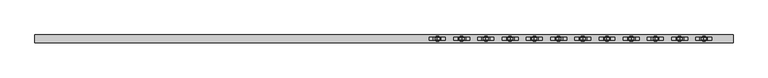
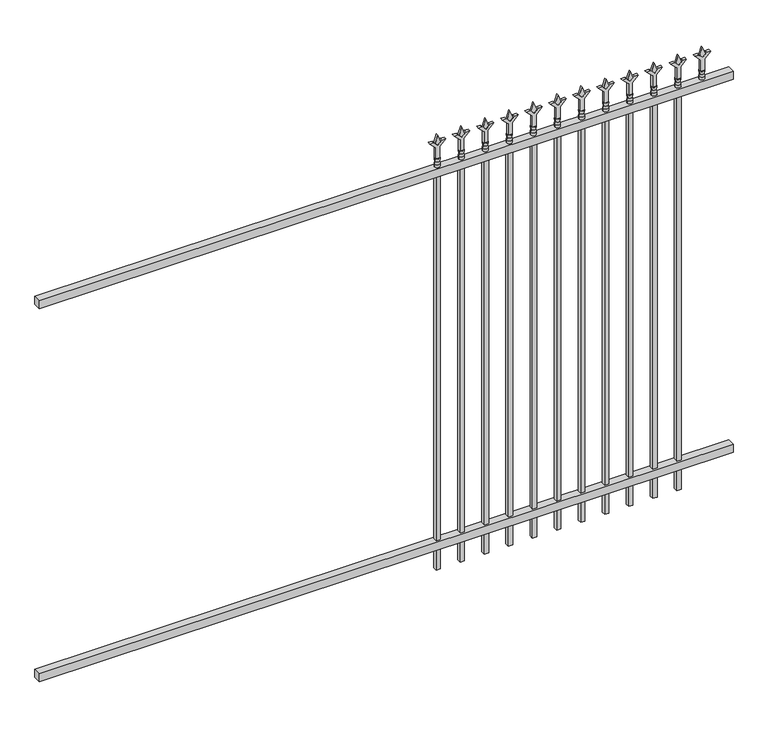
"""IFC4 building model written with IfcOpenShell, lengths in millimetres: railing geometry."""

from ifc_helpers import new_model, si_unit, frame, origin, place, context, project, spatial, polyline, circle_curve, outline, extrude, source, transform, mapped, element, save
from ifc_brep_helpers import plane_surface, cylinder_surface, revolved_surface, advanced_brep


def railing_23d3296c(model_context):
    return source(origin(), model_context, "Body", "SolidModel", [
        extrude(outline(polyline([(-61345.318087, 5443.2804826), (-61345.318087, 5478.2054826), (-58195.718087, 5478.2054826), (-58195.718087, 5443.2804826), (-61345.318087, 5443.2804826)])), frame((0.0, 0.0, 1943.1), z_axis=(0.0, 0.0, 1.0), x_axis=(1.0, 0.0, 0.0)), (0.0, 0.0, 1.0), 38.1),
        extrude(outline(polyline([(-61345.318087, 5443.2804826), (-61345.318087, 5478.2054826), (-58195.718087, 5478.2054826), (-58195.718087, 5443.2804826), (-61345.318087, 5443.2804826)])), frame((0.0, 0.0, 152.4), z_axis=(0.0, 0.0, 1.0), x_axis=(1.0, 0.0, 0.0)), (0.0, 0.0, 1.0), 38.1),
        extrude(outline(polyline([(2097.88125, -58424.8472536), (2133.6, -58436.7535036), (2097.88125, -58448.6597536), (2085.975, -58436.7535036), (2097.88125, -58424.8472536)])), frame((0.0, 5455.9804826, 0.0), z_axis=(0.0, 1.0, 0.0), x_axis=(0.0, 0.0, 1.0)), (0.0, 0.0, 1.0), 9.525),
        extrude(outline(polyline([(2022.475, -58428.0222536), (2076.7457378, -58428.0222536), (2103.9355122, -58400.8324791), (2103.9355122, -58418.7929914), (2085.975, -58436.7535036), (2103.9355122, -58454.7140159), (2103.9355122, -58472.6745281), (2076.7457378, -58445.4847536), (2022.475, -58445.4847536), (2022.475, -58428.0222536)])), frame((0.0, 5454.3929826, 0.0), z_axis=(0.0, 1.0, 0.0), x_axis=(0.0, 0.0, 1.0)), (0.0, 0.0, 1.0), 12.7),
        advanced_brep(
        [(-58424.8472536, 5460.7429826, 1993.9), (-58448.6597536, 5460.7429826, 1993.9), (-58448.6597536, 5460.7429826, 1981.2), (-58424.8472536, 5460.7429826, 1981.2), (-58427.0525855, 5460.7429826, 2006.4070585), (-58446.4544218, 5460.7429826, 2006.4070585), (-58424.8472536, 5460.7429826, 2022.475), (-58448.6597536, 5460.7429826, 2022.475), (-58436.7535036, 5460.7429826, 2022.475), (-58436.7535036, 5460.7429826, 1981.2)],
        [
            (0, 1, circle_curve(frame((-58436.7535036, 5460.7429826, 1993.9), z_axis=(0.0, 0.0, -1.0), x_axis=(-1.0, 0.0, 0.0)), 11.90625)),
            (1, 2),
            (2, 3, circle_curve(frame((-58436.7535036, 5460.7429826, 1981.2), z_axis=(0.0, 0.0, 1.0), x_axis=(-1.0, 0.0, 0.0)), 11.90625)),
            (3, 0),
            (1, 0, circle_curve(frame((-58436.7535036, 5460.7429826, 1993.9), z_axis=(0.0, 0.0, -1.0), x_axis=(-1.0, 0.0, 0.0)), 11.90625)),
            (3, 2, circle_curve(frame((-58436.7535036, 5460.7429826, 1981.2), z_axis=(0.0, 0.0, 1.0), x_axis=(-1.0, 0.0, 0.0)), 11.90625)),
            (4, 5, circle_curve(frame((-58436.7535036, 5460.7429826, 2006.4070585), z_axis=(0.0, 0.0, -1.0), x_axis=(-1.0, 0.0, 0.0)), 9.7009181)),
            (5, 1),
            (0, 4),
            (5, 4, circle_curve(frame((-58436.7535036, 5460.7429826, 2006.4070585), z_axis=(0.0, 0.0, -1.0), x_axis=(-1.0, 0.0, 0.0)), 9.7009181)),
            (6, 7, circle_curve(frame((-58436.7535036, 5460.7429826, 2022.475), z_axis=(0.0, 0.0, -1.0), x_axis=(-1.0, 0.0, 0.0)), 11.90625)),
            (7, 5),
            (4, 6),
            (7, 6, circle_curve(frame((-58436.7535036, 5460.7429826, 2022.475), z_axis=(0.0, 0.0, -1.0), x_axis=(-1.0, 0.0, 0.0)), 11.90625)),
            (8, 7),
            (6, 8),
            (2, 9),
            (9, 3),
        ],
        [
            cylinder_surface(frame((-58436.7535036, 5460.7429826, 1981.2), z_axis=(0.0, 0.0, 1.0), x_axis=(-1.0, 0.0, 0.0)), 11.90625),
            revolved_surface(polyline([(-58448.6597536, 5460.7429826, 1993.9), (-58446.4544218, 5460.7429826, 2006.4070585)]), (-58436.7535036, 5460.7429826, 1981.2), (0.0, 0.0, 1.0)),
            revolved_surface(polyline([(-58446.4544218, 5460.7429826, 2006.4070585), (-58448.6597536, 5460.7429826, 2022.475)]), (-58436.7535036, 5460.7429826, 1981.2), (0.0, 0.0, 1.0)),
            plane_surface(frame((-58436.7535036, 5460.7429826, 2022.475), z_axis=(0.0, 0.0, 1.0), x_axis=(-1.0, 0.0, 0.0))),
            plane_surface(frame((-58436.7535036, 5460.7429826, 1981.2), z_axis=(0.0, 0.0, -1.0), x_axis=(-1.0, 0.0, 0.0))),
        ],
        [
            (0, [[1, 2, 3, 4]]),
            (0, [[5, -4, 6, -2]]),
            (1, [[7, 8, -1, 9]]),
            (1, [[10, -9, -5, -8]]),
            (2, [[11, 12, -7, 13]]),
            (2, [[14, -13, -10, -12]]),
            (3, [[15, -11, 16]]),
            (3, [[-16, -14, -15]]),
            (4, [[-3, 17, 18]]),
            (4, [[-6, -18, -17]]),
        ],
    ),
        extrude(outline(polyline([(-58446.2785036, 5470.2679826), (-58427.2285036, 5470.2679826), (-58427.2285036, 5451.2179826), (-58446.2785036, 5451.2179826), (-58446.2785036, 5470.2679826)])), frame((0.0, 0.0, 50.8), z_axis=(0.0, 0.0, 1.0), x_axis=(1.0, 0.0, 0.0)), (0.0, 0.0, 1.0), 1930.4),
        extrude(outline(polyline([(2097.88125, -58534.1201703), (2133.6, -58546.0264203), (2097.88125, -58557.9326703), (2085.975, -58546.0264203), (2097.88125, -58534.1201703)])), frame((0.0, 5455.9804826, 0.0), z_axis=(0.0, 1.0, 0.0), x_axis=(0.0, 0.0, 1.0)), (0.0, 0.0, 1.0), 9.525),
        extrude(outline(polyline([(2022.475, -58537.2951703), (2076.7457378, -58537.2951703), (2103.9355122, -58510.1053958), (2103.9355122, -58528.0659081), (2085.975, -58546.0264203), (2103.9355122, -58563.9869325), (2103.9355122, -58581.9474448), (2076.7457378, -58554.7576703), (2022.475, -58554.7576703), (2022.475, -58537.2951703)])), frame((0.0, 5454.3929826, 0.0), z_axis=(0.0, 1.0, 0.0), x_axis=(0.0, 0.0, 1.0)), (0.0, 0.0, 1.0), 12.7),
        advanced_brep(
        [(-58534.1201703, 5460.7429826, 1993.9), (-58557.9326703, 5460.7429826, 1993.9), (-58557.9326703, 5460.7429826, 1981.2), (-58534.1201703, 5460.7429826, 1981.2), (-58536.3255022, 5460.7429826, 2006.4070585), (-58555.7273384, 5460.7429826, 2006.4070585), (-58534.1201703, 5460.7429826, 2022.475), (-58557.9326703, 5460.7429826, 2022.475), (-58546.0264203, 5460.7429826, 2022.475), (-58546.0264203, 5460.7429826, 1981.2)],
        [
            (0, 1, circle_curve(frame((-58546.0264203, 5460.7429826, 1993.9), z_axis=(0.0, 0.0, -1.0), x_axis=(-1.0, 0.0, 0.0)), 11.90625)),
            (1, 2),
            (2, 3, circle_curve(frame((-58546.0264203, 5460.7429826, 1981.2), z_axis=(0.0, 0.0, 1.0), x_axis=(-1.0, 0.0, 0.0)), 11.90625)),
            (3, 0),
            (1, 0, circle_curve(frame((-58546.0264203, 5460.7429826, 1993.9), z_axis=(0.0, 0.0, -1.0), x_axis=(-1.0, 0.0, 0.0)), 11.90625)),
            (3, 2, circle_curve(frame((-58546.0264203, 5460.7429826, 1981.2), z_axis=(0.0, 0.0, 1.0), x_axis=(-1.0, 0.0, 0.0)), 11.90625)),
            (4, 5, circle_curve(frame((-58546.0264203, 5460.7429826, 2006.4070585), z_axis=(0.0, 0.0, -1.0), x_axis=(-1.0, 0.0, 0.0)), 9.7009181)),
            (5, 1),
            (0, 4),
            (5, 4, circle_curve(frame((-58546.0264203, 5460.7429826, 2006.4070585), z_axis=(0.0, 0.0, -1.0), x_axis=(-1.0, 0.0, 0.0)), 9.7009181)),
            (6, 7, circle_curve(frame((-58546.0264203, 5460.7429826, 2022.475), z_axis=(0.0, 0.0, -1.0), x_axis=(-1.0, 0.0, 0.0)), 11.90625)),
            (7, 5),
            (4, 6),
            (7, 6, circle_curve(frame((-58546.0264203, 5460.7429826, 2022.475), z_axis=(0.0, 0.0, -1.0), x_axis=(-1.0, 0.0, 0.0)), 11.90625)),
            (8, 7),
            (6, 8),
            (2, 9),
            (9, 3),
        ],
        [
            cylinder_surface(frame((-58546.0264203, 5460.7429826, 1981.2), z_axis=(0.0, 0.0, 1.0), x_axis=(-1.0, 0.0, 0.0)), 11.90625),
            revolved_surface(polyline([(-58557.9326703, 5460.7429826, 1993.9), (-58555.7273384, 5460.7429826, 2006.4070585)]), (-58546.0264203, 5460.7429826, 1981.2), (0.0, 0.0, 1.0)),
            revolved_surface(polyline([(-58555.7273384, 5460.7429826, 2006.4070585), (-58557.9326703, 5460.7429826, 2022.475)]), (-58546.0264203, 5460.7429826, 1981.2), (0.0, 0.0, 1.0)),
            plane_surface(frame((-58546.0264203, 5460.7429826, 2022.475), z_axis=(0.0, 0.0, 1.0), x_axis=(-1.0, 0.0, 0.0))),
            plane_surface(frame((-58546.0264203, 5460.7429826, 1981.2), z_axis=(0.0, 0.0, -1.0), x_axis=(-1.0, 0.0, 0.0))),
        ],
        [
            (0, [[1, 2, 3, 4]]),
            (0, [[5, -4, 6, -2]]),
            (1, [[7, 8, -1, 9]]),
            (1, [[10, -9, -5, -8]]),
            (2, [[11, 12, -7, 13]]),
            (2, [[14, -13, -10, -12]]),
            (3, [[15, -11, 16]]),
            (3, [[-16, -14, -15]]),
            (4, [[-3, 17, 18]]),
            (4, [[-6, -18, -17]]),
        ],
    ),
        extrude(outline(polyline([(-58555.5514203, 5470.2679826), (-58536.5014203, 5470.2679826), (-58536.5014203, 5451.2179826), (-58555.5514203, 5451.2179826), (-58555.5514203, 5470.2679826)])), frame((0.0, 0.0, 50.8), z_axis=(0.0, 0.0, 1.0), x_axis=(1.0, 0.0, 0.0)), (0.0, 0.0, 1.0), 1930.4),
        extrude(outline(polyline([(2097.88125, -58643.393087), (2133.6, -58655.299337), (2097.88125, -58667.205587), (2085.975, -58655.299337), (2097.88125, -58643.393087)])), frame((0.0, 5455.9804826, 0.0), z_axis=(0.0, 1.0, 0.0), x_axis=(0.0, 0.0, 1.0)), (0.0, 0.0, 1.0), 9.525),
        extrude(outline(polyline([(2022.475, -58646.568087), (2076.7457378, -58646.568087), (2103.9355122, -58619.3783125), (2103.9355122, -58637.3388247), (2085.975, -58655.299337), (2103.9355122, -58673.2598492), (2103.9355122, -58691.2203614), (2076.7457378, -58664.030587), (2022.475, -58664.030587), (2022.475, -58646.568087)])), frame((0.0, 5454.3929826, 0.0), z_axis=(0.0, 1.0, 0.0), x_axis=(0.0, 0.0, 1.0)), (0.0, 0.0, 1.0), 12.7),
        advanced_brep(
        [(-58643.393087, 5460.7429826, 1993.9), (-58667.205587, 5460.7429826, 1993.9), (-58667.205587, 5460.7429826, 1981.2), (-58643.393087, 5460.7429826, 1981.2), (-58645.5984188, 5460.7429826, 2006.4070585), (-58665.0002551, 5460.7429826, 2006.4070585), (-58643.393087, 5460.7429826, 2022.475), (-58667.205587, 5460.7429826, 2022.475), (-58655.299337, 5460.7429826, 2022.475), (-58655.299337, 5460.7429826, 1981.2)],
        [
            (0, 1, circle_curve(frame((-58655.299337, 5460.7429826, 1993.9), z_axis=(0.0, 0.0, -1.0), x_axis=(-1.0, 0.0, 0.0)), 11.90625)),
            (1, 2),
            (2, 3, circle_curve(frame((-58655.299337, 5460.7429826, 1981.2), z_axis=(0.0, 0.0, 1.0), x_axis=(-1.0, 0.0, 0.0)), 11.90625)),
            (3, 0),
            (1, 0, circle_curve(frame((-58655.299337, 5460.7429826, 1993.9), z_axis=(0.0, 0.0, -1.0), x_axis=(-1.0, 0.0, 0.0)), 11.90625)),
            (3, 2, circle_curve(frame((-58655.299337, 5460.7429826, 1981.2), z_axis=(0.0, 0.0, 1.0), x_axis=(-1.0, 0.0, 0.0)), 11.90625)),
            (4, 5, circle_curve(frame((-58655.299337, 5460.7429826, 2006.4070585), z_axis=(0.0, 0.0, -1.0), x_axis=(-1.0, 0.0, 0.0)), 9.7009181)),
            (5, 1),
            (0, 4),
            (5, 4, circle_curve(frame((-58655.299337, 5460.7429826, 2006.4070585), z_axis=(0.0, 0.0, -1.0), x_axis=(-1.0, 0.0, 0.0)), 9.7009181)),
            (6, 7, circle_curve(frame((-58655.299337, 5460.7429826, 2022.475), z_axis=(0.0, 0.0, -1.0), x_axis=(-1.0, 0.0, 0.0)), 11.90625)),
            (7, 5),
            (4, 6),
            (7, 6, circle_curve(frame((-58655.299337, 5460.7429826, 2022.475), z_axis=(0.0, 0.0, -1.0), x_axis=(-1.0, 0.0, 0.0)), 11.90625)),
            (8, 7),
            (6, 8),
            (2, 9),
            (9, 3),
        ],
        [
            cylinder_surface(frame((-58655.299337, 5460.7429826, 1981.2), z_axis=(0.0, 0.0, 1.0), x_axis=(-1.0, 0.0, 0.0)), 11.90625),
            revolved_surface(polyline([(-58667.205587, 5460.7429826, 1993.9), (-58665.0002551, 5460.7429826, 2006.4070585)]), (-58655.299337, 5460.7429826, 1981.2), (0.0, 0.0, 1.0)),
            revolved_surface(polyline([(-58665.0002551, 5460.7429826, 2006.4070585), (-58667.205587, 5460.7429826, 2022.475)]), (-58655.299337, 5460.7429826, 1981.2), (0.0, 0.0, 1.0)),
            plane_surface(frame((-58655.299337, 5460.7429826, 2022.475), z_axis=(0.0, 0.0, 1.0), x_axis=(-1.0, 0.0, 0.0))),
            plane_surface(frame((-58655.299337, 5460.7429826, 1981.2), z_axis=(0.0, 0.0, -1.0), x_axis=(-1.0, 0.0, 0.0))),
        ],
        [
            (0, [[1, 2, 3, 4]]),
            (0, [[5, -4, 6, -2]]),
            (1, [[7, 8, -1, 9]]),
            (1, [[10, -9, -5, -8]]),
            (2, [[11, 12, -7, 13]]),
            (2, [[14, -13, -10, -12]]),
            (3, [[15, -11, 16]]),
            (3, [[-16, -14, -15]]),
            (4, [[-3, 17, 18]]),
            (4, [[-6, -18, -17]]),
        ],
    ),
        extrude(outline(polyline([(-58664.824337, 5470.2679826), (-58645.774337, 5470.2679826), (-58645.774337, 5451.2179826), (-58664.824337, 5451.2179826), (-58664.824337, 5470.2679826)])), frame((0.0, 0.0, 50.8), z_axis=(0.0, 0.0, 1.0), x_axis=(1.0, 0.0, 0.0)), (0.0, 0.0, 1.0), 1930.4),
        extrude(outline(polyline([(2097.88125, -58752.6660036), (2133.6, -58764.5722536), (2097.88125, -58776.4785036), (2085.975, -58764.5722536), (2097.88125, -58752.6660036)])), frame((0.0, 5455.9804826, 0.0), z_axis=(0.0, 1.0, 0.0), x_axis=(0.0, 0.0, 1.0)), (0.0, 0.0, 1.0), 9.525),
        extrude(outline(polyline([(2022.475, -58755.8410036), (2076.7457378, -58755.8410036), (2103.9355122, -58728.6512291), (2103.9355122, -58746.6117414), (2085.975, -58764.5722536), (2103.9355122, -58782.5327659), (2103.9355122, -58800.4932781), (2076.7457378, -58773.3035036), (2022.475, -58773.3035036), (2022.475, -58755.8410036)])), frame((0.0, 5454.3929826, 0.0), z_axis=(0.0, 1.0, 0.0), x_axis=(0.0, 0.0, 1.0)), (0.0, 0.0, 1.0), 12.7),
        advanced_brep(
        [(-58752.6660036, 5460.7429826, 1993.9), (-58776.4785036, 5460.7429826, 1993.9), (-58776.4785036, 5460.7429826, 1981.2), (-58752.6660036, 5460.7429826, 1981.2), (-58754.8713355, 5460.7429826, 2006.4070585), (-58774.2731718, 5460.7429826, 2006.4070585), (-58752.6660036, 5460.7429826, 2022.475), (-58776.4785036, 5460.7429826, 2022.475), (-58764.5722536, 5460.7429826, 2022.475), (-58764.5722536, 5460.7429826, 1981.2)],
        [
            (0, 1, circle_curve(frame((-58764.5722536, 5460.7429826, 1993.9), z_axis=(0.0, 0.0, -1.0), x_axis=(-1.0, 0.0, 0.0)), 11.90625)),
            (1, 2),
            (2, 3, circle_curve(frame((-58764.5722536, 5460.7429826, 1981.2), z_axis=(0.0, 0.0, 1.0), x_axis=(-1.0, 0.0, 0.0)), 11.90625)),
            (3, 0),
            (1, 0, circle_curve(frame((-58764.5722536, 5460.7429826, 1993.9), z_axis=(0.0, 0.0, -1.0), x_axis=(-1.0, 0.0, 0.0)), 11.90625)),
            (3, 2, circle_curve(frame((-58764.5722536, 5460.7429826, 1981.2), z_axis=(0.0, 0.0, 1.0), x_axis=(-1.0, 0.0, 0.0)), 11.90625)),
            (4, 5, circle_curve(frame((-58764.5722536, 5460.7429826, 2006.4070585), z_axis=(0.0, 0.0, -1.0), x_axis=(-1.0, 0.0, 0.0)), 9.7009181)),
            (5, 1),
            (0, 4),
            (5, 4, circle_curve(frame((-58764.5722536, 5460.7429826, 2006.4070585), z_axis=(0.0, 0.0, -1.0), x_axis=(-1.0, 0.0, 0.0)), 9.7009181)),
            (6, 7, circle_curve(frame((-58764.5722536, 5460.7429826, 2022.475), z_axis=(0.0, 0.0, -1.0), x_axis=(-1.0, 0.0, 0.0)), 11.90625)),
            (7, 5),
            (4, 6),
            (7, 6, circle_curve(frame((-58764.5722536, 5460.7429826, 2022.475), z_axis=(0.0, 0.0, -1.0), x_axis=(-1.0, 0.0, 0.0)), 11.90625)),
            (8, 7),
            (6, 8),
            (2, 9),
            (9, 3),
        ],
        [
            cylinder_surface(frame((-58764.5722536, 5460.7429826, 1981.2), z_axis=(0.0, 0.0, 1.0), x_axis=(-1.0, 0.0, 0.0)), 11.90625),
            revolved_surface(polyline([(-58776.4785036, 5460.7429826, 1993.9), (-58774.2731718, 5460.7429826, 2006.4070585)]), (-58764.5722536, 5460.7429826, 1981.2), (0.0, 0.0, 1.0)),
            revolved_surface(polyline([(-58774.2731718, 5460.7429826, 2006.4070585), (-58776.4785036, 5460.7429826, 2022.475)]), (-58764.5722536, 5460.7429826, 1981.2), (0.0, 0.0, 1.0)),
            plane_surface(frame((-58764.5722536, 5460.7429826, 2022.475), z_axis=(0.0, 0.0, 1.0), x_axis=(-1.0, 0.0, 0.0))),
            plane_surface(frame((-58764.5722536, 5460.7429826, 1981.2), z_axis=(0.0, 0.0, -1.0), x_axis=(-1.0, 0.0, 0.0))),
        ],
        [
            (0, [[1, 2, 3, 4]]),
            (0, [[5, -4, 6, -2]]),
            (1, [[7, 8, -1, 9]]),
            (1, [[10, -9, -5, -8]]),
            (2, [[11, 12, -7, 13]]),
            (2, [[14, -13, -10, -12]]),
            (3, [[15, -11, 16]]),
            (3, [[-16, -14, -15]]),
            (4, [[-3, 17, 18]]),
            (4, [[-6, -18, -17]]),
        ],
    ),
        extrude(outline(polyline([(-58774.0972536, 5470.2679826), (-58755.0472536, 5470.2679826), (-58755.0472536, 5451.2179826), (-58774.0972536, 5451.2179826), (-58774.0972536, 5470.2679826)])), frame((0.0, 0.0, 50.8), z_axis=(0.0, 0.0, 1.0), x_axis=(1.0, 0.0, 0.0)), (0.0, 0.0, 1.0), 1930.4),
        extrude(outline(polyline([(2097.88125, -58861.9389203), (2133.6, -58873.8451703), (2097.88125, -58885.7514203), (2085.975, -58873.8451703), (2097.88125, -58861.9389203)])), frame((0.0, 5455.9804826, 0.0), z_axis=(0.0, 1.0, 0.0), x_axis=(0.0, 0.0, 1.0)), (0.0, 0.0, 1.0), 9.525),
        extrude(outline(polyline([(2022.475, -58865.1139203), (2076.7457378, -58865.1139203), (2103.9355122, -58837.9241458), (2103.9355122, -58855.8846581), (2085.975, -58873.8451703), (2103.9355122, -58891.8056825), (2103.9355122, -58909.7661948), (2076.7457378, -58882.5764203), (2022.475, -58882.5764203), (2022.475, -58865.1139203)])), frame((0.0, 5454.3929826, 0.0), z_axis=(0.0, 1.0, 0.0), x_axis=(0.0, 0.0, 1.0)), (0.0, 0.0, 1.0), 12.7),
        advanced_brep(
        [(-58861.9389203, 5460.7429826, 1993.9), (-58885.7514203, 5460.7429826, 1993.9), (-58885.7514203, 5460.7429826, 1981.2), (-58861.9389203, 5460.7429826, 1981.2), (-58864.1442522, 5460.7429826, 2006.4070585), (-58883.5460884, 5460.7429826, 2006.4070585), (-58861.9389203, 5460.7429826, 2022.475), (-58885.7514203, 5460.7429826, 2022.475), (-58873.8451703, 5460.7429826, 2022.475), (-58873.8451703, 5460.7429826, 1981.2)],
        [
            (0, 1, circle_curve(frame((-58873.8451703, 5460.7429826, 1993.9), z_axis=(0.0, 0.0, -1.0), x_axis=(-1.0, 0.0, 0.0)), 11.90625)),
            (1, 2),
            (2, 3, circle_curve(frame((-58873.8451703, 5460.7429826, 1981.2), z_axis=(0.0, 0.0, 1.0), x_axis=(-1.0, 0.0, 0.0)), 11.90625)),
            (3, 0),
            (1, 0, circle_curve(frame((-58873.8451703, 5460.7429826, 1993.9), z_axis=(0.0, 0.0, -1.0), x_axis=(-1.0, 0.0, 0.0)), 11.90625)),
            (3, 2, circle_curve(frame((-58873.8451703, 5460.7429826, 1981.2), z_axis=(0.0, 0.0, 1.0), x_axis=(-1.0, 0.0, 0.0)), 11.90625)),
            (4, 5, circle_curve(frame((-58873.8451703, 5460.7429826, 2006.4070585), z_axis=(0.0, 0.0, -1.0), x_axis=(-1.0, 0.0, 0.0)), 9.7009181)),
            (5, 1),
            (0, 4),
            (5, 4, circle_curve(frame((-58873.8451703, 5460.7429826, 2006.4070585), z_axis=(0.0, 0.0, -1.0), x_axis=(-1.0, 0.0, 0.0)), 9.7009181)),
            (6, 7, circle_curve(frame((-58873.8451703, 5460.7429826, 2022.475), z_axis=(0.0, 0.0, -1.0), x_axis=(-1.0, 0.0, 0.0)), 11.90625)),
            (7, 5),
            (4, 6),
            (7, 6, circle_curve(frame((-58873.8451703, 5460.7429826, 2022.475), z_axis=(0.0, 0.0, -1.0), x_axis=(-1.0, 0.0, 0.0)), 11.90625)),
            (8, 7),
            (6, 8),
            (2, 9),
            (9, 3),
        ],
        [
            cylinder_surface(frame((-58873.8451703, 5460.7429826, 1981.2), z_axis=(0.0, 0.0, 1.0), x_axis=(-1.0, 0.0, 0.0)), 11.90625),
            revolved_surface(polyline([(-58885.7514203, 5460.7429826, 1993.9), (-58883.5460884, 5460.7429826, 2006.4070585)]), (-58873.8451703, 5460.7429826, 1981.2), (0.0, 0.0, 1.0)),
            revolved_surface(polyline([(-58883.5460884, 5460.7429826, 2006.4070585), (-58885.7514203, 5460.7429826, 2022.475)]), (-58873.8451703, 5460.7429826, 1981.2), (0.0, 0.0, 1.0)),
            plane_surface(frame((-58873.8451703, 5460.7429826, 2022.475), z_axis=(0.0, 0.0, 1.0), x_axis=(-1.0, 0.0, 0.0))),
            plane_surface(frame((-58873.8451703, 5460.7429826, 1981.2), z_axis=(0.0, 0.0, -1.0), x_axis=(-1.0, 0.0, 0.0))),
        ],
        [
            (0, [[1, 2, 3, 4]]),
            (0, [[5, -4, 6, -2]]),
            (1, [[7, 8, -1, 9]]),
            (1, [[10, -9, -5, -8]]),
            (2, [[11, 12, -7, 13]]),
            (2, [[14, -13, -10, -12]]),
            (3, [[15, -11, 16]]),
            (3, [[-16, -14, -15]]),
            (4, [[-3, 17, 18]]),
            (4, [[-6, -18, -17]]),
        ],
    ),
        extrude(outline(polyline([(-58883.3701703, 5470.2679826), (-58864.3201703, 5470.2679826), (-58864.3201703, 5451.2179826), (-58883.3701703, 5451.2179826), (-58883.3701703, 5470.2679826)])), frame((0.0, 0.0, 50.8), z_axis=(0.0, 0.0, 1.0), x_axis=(1.0, 0.0, 0.0)), (0.0, 0.0, 1.0), 1930.4),
        extrude(outline(polyline([(2097.88125, -58971.211837), (2133.6, -58983.118087), (2097.88125, -58995.024337), (2085.975, -58983.118087), (2097.88125, -58971.211837)])), frame((0.0, 5455.9804826, 0.0), z_axis=(0.0, 1.0, 0.0), x_axis=(0.0, 0.0, 1.0)), (0.0, 0.0, 1.0), 9.525),
        extrude(outline(polyline([(2022.475, -58974.386837), (2076.7457378, -58974.386837), (2103.9355122, -58947.1970625), (2103.9355122, -58965.1575747), (2085.975, -58983.118087), (2103.9355122, -59001.0785992), (2103.9355122, -59019.0391114), (2076.7457378, -58991.849337), (2022.475, -58991.849337), (2022.475, -58974.386837)])), frame((0.0, 5454.3929826, 0.0), z_axis=(0.0, 1.0, 0.0), x_axis=(0.0, 0.0, 1.0)), (0.0, 0.0, 1.0), 12.7),
        advanced_brep(
        [(-58971.211837, 5460.7429826, 1993.9), (-58995.024337, 5460.7429826, 1993.9), (-58995.024337, 5460.7429826, 1981.2), (-58971.211837, 5460.7429826, 1981.2), (-58973.4171688, 5460.7429826, 2006.4070585), (-58992.8190051, 5460.7429826, 2006.4070585), (-58971.211837, 5460.7429826, 2022.475), (-58995.024337, 5460.7429826, 2022.475), (-58983.118087, 5460.7429826, 2022.475), (-58983.118087, 5460.7429826, 1981.2)],
        [
            (0, 1, circle_curve(frame((-58983.118087, 5460.7429826, 1993.9), z_axis=(0.0, 0.0, -1.0), x_axis=(-1.0, 0.0, 0.0)), 11.90625)),
            (1, 2),
            (2, 3, circle_curve(frame((-58983.118087, 5460.7429826, 1981.2), z_axis=(0.0, 0.0, 1.0), x_axis=(-1.0, 0.0, 0.0)), 11.90625)),
            (3, 0),
            (1, 0, circle_curve(frame((-58983.118087, 5460.7429826, 1993.9), z_axis=(0.0, 0.0, -1.0), x_axis=(-1.0, 0.0, 0.0)), 11.90625)),
            (3, 2, circle_curve(frame((-58983.118087, 5460.7429826, 1981.2), z_axis=(0.0, 0.0, 1.0), x_axis=(-1.0, 0.0, 0.0)), 11.90625)),
            (4, 5, circle_curve(frame((-58983.118087, 5460.7429826, 2006.4070585), z_axis=(0.0, 0.0, -1.0), x_axis=(-1.0, 0.0, 0.0)), 9.7009181)),
            (5, 1),
            (0, 4),
            (5, 4, circle_curve(frame((-58983.118087, 5460.7429826, 2006.4070585), z_axis=(0.0, 0.0, -1.0), x_axis=(-1.0, 0.0, 0.0)), 9.7009181)),
            (6, 7, circle_curve(frame((-58983.118087, 5460.7429826, 2022.475), z_axis=(0.0, 0.0, -1.0), x_axis=(-1.0, 0.0, 0.0)), 11.90625)),
            (7, 5),
            (4, 6),
            (7, 6, circle_curve(frame((-58983.118087, 5460.7429826, 2022.475), z_axis=(0.0, 0.0, -1.0), x_axis=(-1.0, 0.0, 0.0)), 11.90625)),
            (8, 7),
            (6, 8),
            (2, 9),
            (9, 3),
        ],
        [
            cylinder_surface(frame((-58983.118087, 5460.7429826, 1981.2), z_axis=(0.0, 0.0, 1.0), x_axis=(-1.0, 0.0, 0.0)), 11.90625),
            revolved_surface(polyline([(-58995.024337, 5460.7429826, 1993.9), (-58992.8190051, 5460.7429826, 2006.4070585)]), (-58983.118087, 5460.7429826, 1981.2), (0.0, 0.0, 1.0)),
            revolved_surface(polyline([(-58992.8190051, 5460.7429826, 2006.4070585), (-58995.024337, 5460.7429826, 2022.475)]), (-58983.118087, 5460.7429826, 1981.2), (0.0, 0.0, 1.0)),
            plane_surface(frame((-58983.118087, 5460.7429826, 2022.475), z_axis=(0.0, 0.0, 1.0), x_axis=(-1.0, 0.0, 0.0))),
            plane_surface(frame((-58983.118087, 5460.7429826, 1981.2), z_axis=(0.0, 0.0, -1.0), x_axis=(-1.0, 0.0, 0.0))),
        ],
        [
            (0, [[1, 2, 3, 4]]),
            (0, [[5, -4, 6, -2]]),
            (1, [[7, 8, -1, 9]]),
            (1, [[10, -9, -5, -8]]),
            (2, [[11, 12, -7, 13]]),
            (2, [[14, -13, -10, -12]]),
            (3, [[15, -11, 16]]),
            (3, [[-16, -14, -15]]),
            (4, [[-3, 17, 18]]),
            (4, [[-6, -18, -17]]),
        ],
    ),
        extrude(outline(polyline([(-58992.643087, 5470.2679826), (-58973.593087, 5470.2679826), (-58973.593087, 5451.2179826), (-58992.643087, 5451.2179826), (-58992.643087, 5470.2679826)])), frame((0.0, 0.0, 50.8), z_axis=(0.0, 0.0, 1.0), x_axis=(1.0, 0.0, 0.0)), (0.0, 0.0, 1.0), 1930.4),
        extrude(outline(polyline([(2097.88125, -59080.4847536), (2133.6, -59092.3910036), (2097.88125, -59104.2972536), (2085.975, -59092.3910036), (2097.88125, -59080.4847536)])), frame((0.0, 5455.9804826, 0.0), z_axis=(0.0, 1.0, 0.0), x_axis=(0.0, 0.0, 1.0)), (0.0, 0.0, 1.0), 9.525),
        extrude(outline(polyline([(2022.475, -59083.6597536), (2076.7457378, -59083.6597536), (2103.9355122, -59056.4699791), (2103.9355122, -59074.4304914), (2085.975, -59092.3910036), (2103.9355122, -59110.3515159), (2103.9355122, -59128.3120281), (2076.7457378, -59101.1222536), (2022.475, -59101.1222536), (2022.475, -59083.6597536)])), frame((0.0, 5454.3929826, 0.0), z_axis=(0.0, 1.0, 0.0), x_axis=(0.0, 0.0, 1.0)), (0.0, 0.0, 1.0), 12.7),
        advanced_brep(
        [(-59080.4847536, 5460.7429826, 1993.9), (-59104.2972536, 5460.7429826, 1993.9), (-59104.2972536, 5460.7429826, 1981.2), (-59080.4847536, 5460.7429826, 1981.2), (-59082.6900855, 5460.7429826, 2006.4070585), (-59102.0919218, 5460.7429826, 2006.4070585), (-59080.4847536, 5460.7429826, 2022.475), (-59104.2972536, 5460.7429826, 2022.475), (-59092.3910036, 5460.7429826, 2022.475), (-59092.3910036, 5460.7429826, 1981.2)],
        [
            (0, 1, circle_curve(frame((-59092.3910036, 5460.7429826, 1993.9), z_axis=(0.0, 0.0, -1.0), x_axis=(-1.0, 0.0, 0.0)), 11.90625)),
            (1, 2),
            (2, 3, circle_curve(frame((-59092.3910036, 5460.7429826, 1981.2), z_axis=(0.0, 0.0, 1.0), x_axis=(-1.0, 0.0, 0.0)), 11.90625)),
            (3, 0),
            (1, 0, circle_curve(frame((-59092.3910036, 5460.7429826, 1993.9), z_axis=(0.0, 0.0, -1.0), x_axis=(-1.0, 0.0, 0.0)), 11.90625)),
            (3, 2, circle_curve(frame((-59092.3910036, 5460.7429826, 1981.2), z_axis=(0.0, 0.0, 1.0), x_axis=(-1.0, 0.0, 0.0)), 11.90625)),
            (4, 5, circle_curve(frame((-59092.3910036, 5460.7429826, 2006.4070585), z_axis=(0.0, 0.0, -1.0), x_axis=(-1.0, 0.0, 0.0)), 9.7009181)),
            (5, 1),
            (0, 4),
            (5, 4, circle_curve(frame((-59092.3910036, 5460.7429826, 2006.4070585), z_axis=(0.0, 0.0, -1.0), x_axis=(-1.0, 0.0, 0.0)), 9.7009181)),
            (6, 7, circle_curve(frame((-59092.3910036, 5460.7429826, 2022.475), z_axis=(0.0, 0.0, -1.0), x_axis=(-1.0, 0.0, 0.0)), 11.90625)),
            (7, 5),
            (4, 6),
            (7, 6, circle_curve(frame((-59092.3910036, 5460.7429826, 2022.475), z_axis=(0.0, 0.0, -1.0), x_axis=(-1.0, 0.0, 0.0)), 11.90625)),
            (8, 7),
            (6, 8),
            (2, 9),
            (9, 3),
        ],
        [
            cylinder_surface(frame((-59092.3910036, 5460.7429826, 1981.2), z_axis=(0.0, 0.0, 1.0), x_axis=(-1.0, 0.0, 0.0)), 11.90625),
            revolved_surface(polyline([(-59104.2972536, 5460.7429826, 1993.9), (-59102.0919218, 5460.7429826, 2006.4070585)]), (-59092.3910036, 5460.7429826, 1981.2), (0.0, 0.0, 1.0)),
            revolved_surface(polyline([(-59102.0919218, 5460.7429826, 2006.4070585), (-59104.2972536, 5460.7429826, 2022.475)]), (-59092.3910036, 5460.7429826, 1981.2), (0.0, 0.0, 1.0)),
            plane_surface(frame((-59092.3910036, 5460.7429826, 2022.475), z_axis=(0.0, 0.0, 1.0), x_axis=(-1.0, 0.0, 0.0))),
            plane_surface(frame((-59092.3910036, 5460.7429826, 1981.2), z_axis=(0.0, 0.0, -1.0), x_axis=(-1.0, 0.0, 0.0))),
        ],
        [
            (0, [[1, 2, 3, 4]]),
            (0, [[5, -4, 6, -2]]),
            (1, [[7, 8, -1, 9]]),
            (1, [[10, -9, -5, -8]]),
            (2, [[11, 12, -7, 13]]),
            (2, [[14, -13, -10, -12]]),
            (3, [[15, -11, 16]]),
            (3, [[-16, -14, -15]]),
            (4, [[-3, 17, 18]]),
            (4, [[-6, -18, -17]]),
        ],
    ),
        extrude(outline(polyline([(-59101.9160036, 5470.2679826), (-59082.8660036, 5470.2679826), (-59082.8660036, 5451.2179826), (-59101.9160036, 5451.2179826), (-59101.9160036, 5470.2679826)])), frame((0.0, 0.0, 50.8), z_axis=(0.0, 0.0, 1.0), x_axis=(1.0, 0.0, 0.0)), (0.0, 0.0, 1.0), 1930.4),
        extrude(outline(polyline([(2097.88125, -59189.7576703), (2133.6, -59201.6639203), (2097.88125, -59213.5701703), (2085.975, -59201.6639203), (2097.88125, -59189.7576703)])), frame((0.0, 5455.9804826, 0.0), z_axis=(0.0, 1.0, 0.0), x_axis=(0.0, 0.0, 1.0)), (0.0, 0.0, 1.0), 9.525),
        extrude(outline(polyline([(2022.475, -59192.9326703), (2076.7457378, -59192.9326703), (2103.9355122, -59165.7428958), (2103.9355122, -59183.7034081), (2085.975, -59201.6639203), (2103.9355122, -59219.6244325), (2103.9355122, -59237.5849448), (2076.7457378, -59210.3951703), (2022.475, -59210.3951703), (2022.475, -59192.9326703)])), frame((0.0, 5454.3929826, 0.0), z_axis=(0.0, 1.0, 0.0), x_axis=(0.0, 0.0, 1.0)), (0.0, 0.0, 1.0), 12.7),
        advanced_brep(
        [(-59189.7576703, 5460.7429826, 1993.9), (-59213.5701703, 5460.7429826, 1993.9), (-59213.5701703, 5460.7429826, 1981.2), (-59189.7576703, 5460.7429826, 1981.2), (-59191.9630022, 5460.7429826, 2006.4070585), (-59211.3648384, 5460.7429826, 2006.4070585), (-59189.7576703, 5460.7429826, 2022.475), (-59213.5701703, 5460.7429826, 2022.475), (-59201.6639203, 5460.7429826, 2022.475), (-59201.6639203, 5460.7429826, 1981.2)],
        [
            (0, 1, circle_curve(frame((-59201.6639203, 5460.7429826, 1993.9), z_axis=(0.0, 0.0, -1.0), x_axis=(-1.0, 0.0, 0.0)), 11.90625)),
            (1, 2),
            (2, 3, circle_curve(frame((-59201.6639203, 5460.7429826, 1981.2), z_axis=(0.0, 0.0, 1.0), x_axis=(-1.0, 0.0, 0.0)), 11.90625)),
            (3, 0),
            (1, 0, circle_curve(frame((-59201.6639203, 5460.7429826, 1993.9), z_axis=(0.0, 0.0, -1.0), x_axis=(-1.0, 0.0, 0.0)), 11.90625)),
            (3, 2, circle_curve(frame((-59201.6639203, 5460.7429826, 1981.2), z_axis=(0.0, 0.0, 1.0), x_axis=(-1.0, 0.0, 0.0)), 11.90625)),
            (4, 5, circle_curve(frame((-59201.6639203, 5460.7429826, 2006.4070585), z_axis=(0.0, 0.0, -1.0), x_axis=(-1.0, 0.0, 0.0)), 9.7009181)),
            (5, 1),
            (0, 4),
            (5, 4, circle_curve(frame((-59201.6639203, 5460.7429826, 2006.4070585), z_axis=(0.0, 0.0, -1.0), x_axis=(-1.0, 0.0, 0.0)), 9.7009181)),
            (6, 7, circle_curve(frame((-59201.6639203, 5460.7429826, 2022.475), z_axis=(0.0, 0.0, -1.0), x_axis=(-1.0, 0.0, 0.0)), 11.90625)),
            (7, 5),
            (4, 6),
            (7, 6, circle_curve(frame((-59201.6639203, 5460.7429826, 2022.475), z_axis=(0.0, 0.0, -1.0), x_axis=(-1.0, 0.0, 0.0)), 11.90625)),
            (8, 7),
            (6, 8),
            (2, 9),
            (9, 3),
        ],
        [
            cylinder_surface(frame((-59201.6639203, 5460.7429826, 1981.2), z_axis=(0.0, 0.0, 1.0), x_axis=(-1.0, 0.0, 0.0)), 11.90625),
            revolved_surface(polyline([(-59213.5701703, 5460.7429826, 1993.9), (-59211.3648384, 5460.7429826, 2006.4070585)]), (-59201.6639203, 5460.7429826, 1981.2), (0.0, 0.0, 1.0)),
            revolved_surface(polyline([(-59211.3648384, 5460.7429826, 2006.4070585), (-59213.5701703, 5460.7429826, 2022.475)]), (-59201.6639203, 5460.7429826, 1981.2), (0.0, 0.0, 1.0)),
            plane_surface(frame((-59201.6639203, 5460.7429826, 2022.475), z_axis=(0.0, 0.0, 1.0), x_axis=(-1.0, 0.0, 0.0))),
            plane_surface(frame((-59201.6639203, 5460.7429826, 1981.2), z_axis=(0.0, 0.0, -1.0), x_axis=(-1.0, 0.0, 0.0))),
        ],
        [
            (0, [[1, 2, 3, 4]]),
            (0, [[5, -4, 6, -2]]),
            (1, [[7, 8, -1, 9]]),
            (1, [[10, -9, -5, -8]]),
            (2, [[11, 12, -7, 13]]),
            (2, [[14, -13, -10, -12]]),
            (3, [[15, -11, 16]]),
            (3, [[-16, -14, -15]]),
            (4, [[-3, 17, 18]]),
            (4, [[-6, -18, -17]]),
        ],
    ),
        extrude(outline(polyline([(-59211.1889203, 5470.2679826), (-59192.1389203, 5470.2679826), (-59192.1389203, 5451.2179826), (-59211.1889203, 5451.2179826), (-59211.1889203, 5470.2679826)])), frame((0.0, 0.0, 50.8), z_axis=(0.0, 0.0, 1.0), x_axis=(1.0, 0.0, 0.0)), (0.0, 0.0, 1.0), 1930.4),
        extrude(outline(polyline([(2097.88125, -59299.030587), (2133.6, -59310.936837), (2097.88125, -59322.843087), (2085.975, -59310.936837), (2097.88125, -59299.030587)])), frame((0.0, 5455.9804826, 0.0), z_axis=(0.0, 1.0, 0.0), x_axis=(0.0, 0.0, 1.0)), (0.0, 0.0, 1.0), 9.525),
        extrude(outline(polyline([(2022.475, -59302.205587), (2076.7457378, -59302.205587), (2103.9355122, -59275.0158125), (2103.9355122, -59292.9763247), (2085.975, -59310.936837), (2103.9355122, -59328.8973492), (2103.9355122, -59346.8578614), (2076.7457378, -59319.668087), (2022.475, -59319.668087), (2022.475, -59302.205587)])), frame((0.0, 5454.3929826, 0.0), z_axis=(0.0, 1.0, 0.0), x_axis=(0.0, 0.0, 1.0)), (0.0, 0.0, 1.0), 12.7),
        advanced_brep(
        [(-59299.030587, 5460.7429826, 1993.9), (-59322.843087, 5460.7429826, 1993.9), (-59322.843087, 5460.7429826, 1981.2), (-59299.030587, 5460.7429826, 1981.2), (-59301.2359188, 5460.7429826, 2006.4070585), (-59320.6377551, 5460.7429826, 2006.4070585), (-59299.030587, 5460.7429826, 2022.475), (-59322.843087, 5460.7429826, 2022.475), (-59310.936837, 5460.7429826, 2022.475), (-59310.936837, 5460.7429826, 1981.2)],
        [
            (0, 1, circle_curve(frame((-59310.936837, 5460.7429826, 1993.9), z_axis=(0.0, 0.0, -1.0), x_axis=(-1.0, 0.0, 0.0)), 11.90625)),
            (1, 2),
            (2, 3, circle_curve(frame((-59310.936837, 5460.7429826, 1981.2), z_axis=(0.0, 0.0, 1.0), x_axis=(-1.0, 0.0, 0.0)), 11.90625)),
            (3, 0),
            (1, 0, circle_curve(frame((-59310.936837, 5460.7429826, 1993.9), z_axis=(0.0, 0.0, -1.0), x_axis=(-1.0, 0.0, 0.0)), 11.90625)),
            (3, 2, circle_curve(frame((-59310.936837, 5460.7429826, 1981.2), z_axis=(0.0, 0.0, 1.0), x_axis=(-1.0, 0.0, 0.0)), 11.90625)),
            (4, 5, circle_curve(frame((-59310.936837, 5460.7429826, 2006.4070585), z_axis=(0.0, 0.0, -1.0), x_axis=(-1.0, 0.0, 0.0)), 9.7009181)),
            (5, 1),
            (0, 4),
            (5, 4, circle_curve(frame((-59310.936837, 5460.7429826, 2006.4070585), z_axis=(0.0, 0.0, -1.0), x_axis=(-1.0, 0.0, 0.0)), 9.7009181)),
            (6, 7, circle_curve(frame((-59310.936837, 5460.7429826, 2022.475), z_axis=(0.0, 0.0, -1.0), x_axis=(-1.0, 0.0, 0.0)), 11.90625)),
            (7, 5),
            (4, 6),
            (7, 6, circle_curve(frame((-59310.936837, 5460.7429826, 2022.475), z_axis=(0.0, 0.0, -1.0), x_axis=(-1.0, 0.0, 0.0)), 11.90625)),
            (8, 7),
            (6, 8),
            (2, 9),
            (9, 3),
        ],
        [
            cylinder_surface(frame((-59310.936837, 5460.7429826, 1981.2), z_axis=(0.0, 0.0, 1.0), x_axis=(-1.0, 0.0, 0.0)), 11.90625),
            revolved_surface(polyline([(-59322.843087, 5460.7429826, 1993.9), (-59320.6377551, 5460.7429826, 2006.4070585)]), (-59310.936837, 5460.7429826, 1981.2), (0.0, 0.0, 1.0)),
            revolved_surface(polyline([(-59320.6377551, 5460.7429826, 2006.4070585), (-59322.843087, 5460.7429826, 2022.475)]), (-59310.936837, 5460.7429826, 1981.2), (0.0, 0.0, 1.0)),
            plane_surface(frame((-59310.936837, 5460.7429826, 2022.475), z_axis=(0.0, 0.0, 1.0), x_axis=(-1.0, 0.0, 0.0))),
            plane_surface(frame((-59310.936837, 5460.7429826, 1981.2), z_axis=(0.0, 0.0, -1.0), x_axis=(-1.0, 0.0, 0.0))),
        ],
        [
            (0, [[1, 2, 3, 4]]),
            (0, [[5, -4, 6, -2]]),
            (1, [[7, 8, -1, 9]]),
            (1, [[10, -9, -5, -8]]),
            (2, [[11, 12, -7, 13]]),
            (2, [[14, -13, -10, -12]]),
            (3, [[15, -11, 16]]),
            (3, [[-16, -14, -15]]),
            (4, [[-3, 17, 18]]),
            (4, [[-6, -18, -17]]),
        ],
    ),
        extrude(outline(polyline([(-59320.461837, 5470.2679826), (-59301.411837, 5470.2679826), (-59301.411837, 5451.2179826), (-59320.461837, 5451.2179826), (-59320.461837, 5470.2679826)])), frame((0.0, 0.0, 50.8), z_axis=(0.0, 0.0, 1.0), x_axis=(1.0, 0.0, 0.0)), (0.0, 0.0, 1.0), 1930.4),
        extrude(outline(polyline([(2097.88125, -59408.3035036), (2133.6, -59420.2097536), (2097.88125, -59432.1160036), (2085.975, -59420.2097536), (2097.88125, -59408.3035036)])), frame((0.0, 5455.9804826, 0.0), z_axis=(0.0, 1.0, 0.0), x_axis=(0.0, 0.0, 1.0)), (0.0, 0.0, 1.0), 9.525),
        extrude(outline(polyline([(2022.475, -59411.4785036), (2076.7457378, -59411.4785036), (2103.9355122, -59384.2887291), (2103.9355122, -59402.2492414), (2085.975, -59420.2097536), (2103.9355122, -59438.1702659), (2103.9355122, -59456.1307781), (2076.7457378, -59428.9410036), (2022.475, -59428.9410036), (2022.475, -59411.4785036)])), frame((0.0, 5454.3929826, 0.0), z_axis=(0.0, 1.0, 0.0), x_axis=(0.0, 0.0, 1.0)), (0.0, 0.0, 1.0), 12.7),
        advanced_brep(
        [(-59408.3035036, 5460.7429826, 1993.9), (-59432.1160036, 5460.7429826, 1993.9), (-59432.1160036, 5460.7429826, 1981.2), (-59408.3035036, 5460.7429826, 1981.2), (-59410.5088355, 5460.7429826, 2006.4070585), (-59429.9106718, 5460.7429826, 2006.4070585), (-59408.3035036, 5460.7429826, 2022.475), (-59432.1160036, 5460.7429826, 2022.475), (-59420.2097536, 5460.7429826, 2022.475), (-59420.2097536, 5460.7429826, 1981.2)],
        [
            (0, 1, circle_curve(frame((-59420.2097536, 5460.7429826, 1993.9), z_axis=(0.0, 0.0, -1.0), x_axis=(-1.0, 0.0, 0.0)), 11.90625)),
            (1, 2),
            (2, 3, circle_curve(frame((-59420.2097536, 5460.7429826, 1981.2), z_axis=(0.0, 0.0, 1.0), x_axis=(-1.0, 0.0, 0.0)), 11.90625)),
            (3, 0),
            (1, 0, circle_curve(frame((-59420.2097536, 5460.7429826, 1993.9), z_axis=(0.0, 0.0, -1.0), x_axis=(-1.0, 0.0, 0.0)), 11.90625)),
            (3, 2, circle_curve(frame((-59420.2097536, 5460.7429826, 1981.2), z_axis=(0.0, 0.0, 1.0), x_axis=(-1.0, 0.0, 0.0)), 11.90625)),
            (4, 5, circle_curve(frame((-59420.2097536, 5460.7429826, 2006.4070585), z_axis=(0.0, 0.0, -1.0), x_axis=(-1.0, 0.0, 0.0)), 9.7009181)),
            (5, 1),
            (0, 4),
            (5, 4, circle_curve(frame((-59420.2097536, 5460.7429826, 2006.4070585), z_axis=(0.0, 0.0, -1.0), x_axis=(-1.0, 0.0, 0.0)), 9.7009181)),
            (6, 7, circle_curve(frame((-59420.2097536, 5460.7429826, 2022.475), z_axis=(0.0, 0.0, -1.0), x_axis=(-1.0, 0.0, 0.0)), 11.90625)),
            (7, 5),
            (4, 6),
            (7, 6, circle_curve(frame((-59420.2097536, 5460.7429826, 2022.475), z_axis=(0.0, 0.0, -1.0), x_axis=(-1.0, 0.0, 0.0)), 11.90625)),
            (8, 7),
            (6, 8),
            (2, 9),
            (9, 3),
        ],
        [
            cylinder_surface(frame((-59420.2097536, 5460.7429826, 1981.2), z_axis=(0.0, 0.0, 1.0), x_axis=(-1.0, 0.0, 0.0)), 11.90625),
            revolved_surface(polyline([(-59432.1160036, 5460.7429826, 1993.9), (-59429.9106718, 5460.7429826, 2006.4070585)]), (-59420.2097536, 5460.7429826, 1981.2), (0.0, 0.0, 1.0)),
            revolved_surface(polyline([(-59429.9106718, 5460.7429826, 2006.4070585), (-59432.1160036, 5460.7429826, 2022.475)]), (-59420.2097536, 5460.7429826, 1981.2), (0.0, 0.0, 1.0)),
            plane_surface(frame((-59420.2097536, 5460.7429826, 2022.475), z_axis=(0.0, 0.0, 1.0), x_axis=(-1.0, 0.0, 0.0))),
            plane_surface(frame((-59420.2097536, 5460.7429826, 1981.2), z_axis=(0.0, 0.0, -1.0), x_axis=(-1.0, 0.0, 0.0))),
        ],
        [
            (0, [[1, 2, 3, 4]]),
            (0, [[5, -4, 6, -2]]),
            (1, [[7, 8, -1, 9]]),
            (1, [[10, -9, -5, -8]]),
            (2, [[11, 12, -7, 13]]),
            (2, [[14, -13, -10, -12]]),
            (3, [[15, -11, 16]]),
            (3, [[-16, -14, -15]]),
            (4, [[-3, 17, 18]]),
            (4, [[-6, -18, -17]]),
        ],
    ),
        extrude(outline(polyline([(-59429.7347536, 5470.2679826), (-59410.6847536, 5470.2679826), (-59410.6847536, 5451.2179826), (-59429.7347536, 5451.2179826), (-59429.7347536, 5470.2679826)])), frame((0.0, 0.0, 50.8), z_axis=(0.0, 0.0, 1.0), x_axis=(1.0, 0.0, 0.0)), (0.0, 0.0, 1.0), 1930.4),
        extrude(outline(polyline([(2097.88125, -59517.5764203), (2133.6, -59529.4826703), (2097.88125, -59541.3889203), (2085.975, -59529.4826703), (2097.88125, -59517.5764203)])), frame((0.0, 5455.9804826, 0.0), z_axis=(0.0, 1.0, 0.0), x_axis=(0.0, 0.0, 1.0)), (0.0, 0.0, 1.0), 9.525),
        extrude(outline(polyline([(2022.475, -59520.7514203), (2076.7457378, -59520.7514203), (2103.9355122, -59493.5616458), (2103.9355122, -59511.5221581), (2085.975, -59529.4826703), (2103.9355122, -59547.4431825), (2103.9355122, -59565.4036948), (2076.7457378, -59538.2139203), (2022.475, -59538.2139203), (2022.475, -59520.7514203)])), frame((0.0, 5454.3929826, 0.0), z_axis=(0.0, 1.0, 0.0), x_axis=(0.0, 0.0, 1.0)), (0.0, 0.0, 1.0), 12.7),
        advanced_brep(
        [(-59517.5764203, 5460.7429826, 1993.9), (-59541.3889203, 5460.7429826, 1993.9), (-59541.3889203, 5460.7429826, 1981.2), (-59517.5764203, 5460.7429826, 1981.2), (-59519.7817522, 5460.7429826, 2006.4070585), (-59539.1835884, 5460.7429826, 2006.4070585), (-59517.5764203, 5460.7429826, 2022.475), (-59541.3889203, 5460.7429826, 2022.475), (-59529.4826703, 5460.7429826, 2022.475), (-59529.4826703, 5460.7429826, 1981.2)],
        [
            (0, 1, circle_curve(frame((-59529.4826703, 5460.7429826, 1993.9), z_axis=(0.0, 0.0, -1.0), x_axis=(-1.0, 0.0, 0.0)), 11.90625)),
            (1, 2),
            (2, 3, circle_curve(frame((-59529.4826703, 5460.7429826, 1981.2), z_axis=(0.0, 0.0, 1.0), x_axis=(-1.0, 0.0, 0.0)), 11.90625)),
            (3, 0),
            (1, 0, circle_curve(frame((-59529.4826703, 5460.7429826, 1993.9), z_axis=(0.0, 0.0, -1.0), x_axis=(-1.0, 0.0, 0.0)), 11.90625)),
            (3, 2, circle_curve(frame((-59529.4826703, 5460.7429826, 1981.2), z_axis=(0.0, 0.0, 1.0), x_axis=(-1.0, 0.0, 0.0)), 11.90625)),
            (4, 5, circle_curve(frame((-59529.4826703, 5460.7429826, 2006.4070585), z_axis=(0.0, 0.0, -1.0), x_axis=(-1.0, 0.0, 0.0)), 9.7009181)),
            (5, 1),
            (0, 4),
            (5, 4, circle_curve(frame((-59529.4826703, 5460.7429826, 2006.4070585), z_axis=(0.0, 0.0, -1.0), x_axis=(-1.0, 0.0, 0.0)), 9.7009181)),
            (6, 7, circle_curve(frame((-59529.4826703, 5460.7429826, 2022.475), z_axis=(0.0, 0.0, -1.0), x_axis=(-1.0, 0.0, 0.0)), 11.90625)),
            (7, 5),
            (4, 6),
            (7, 6, circle_curve(frame((-59529.4826703, 5460.7429826, 2022.475), z_axis=(0.0, 0.0, -1.0), x_axis=(-1.0, 0.0, 0.0)), 11.90625)),
            (8, 7),
            (6, 8),
            (2, 9),
            (9, 3),
        ],
        [
            cylinder_surface(frame((-59529.4826703, 5460.7429826, 1981.2), z_axis=(0.0, 0.0, 1.0), x_axis=(-1.0, 0.0, 0.0)), 11.90625),
            revolved_surface(polyline([(-59541.3889203, 5460.7429826, 1993.9), (-59539.1835884, 5460.7429826, 2006.4070585)]), (-59529.4826703, 5460.7429826, 1981.2), (0.0, 0.0, 1.0)),
            revolved_surface(polyline([(-59539.1835884, 5460.7429826, 2006.4070585), (-59541.3889203, 5460.7429826, 2022.475)]), (-59529.4826703, 5460.7429826, 1981.2), (0.0, 0.0, 1.0)),
            plane_surface(frame((-59529.4826703, 5460.7429826, 2022.475), z_axis=(0.0, 0.0, 1.0), x_axis=(-1.0, 0.0, 0.0))),
            plane_surface(frame((-59529.4826703, 5460.7429826, 1981.2), z_axis=(0.0, 0.0, -1.0), x_axis=(-1.0, 0.0, 0.0))),
        ],
        [
            (0, [[1, 2, 3, 4]]),
            (0, [[5, -4, 6, -2]]),
            (1, [[7, 8, -1, 9]]),
            (1, [[10, -9, -5, -8]]),
            (2, [[11, 12, -7, 13]]),
            (2, [[14, -13, -10, -12]]),
            (3, [[15, -11, 16]]),
            (3, [[-16, -14, -15]]),
            (4, [[-3, 17, 18]]),
            (4, [[-6, -18, -17]]),
        ],
    ),
        extrude(outline(polyline([(-59539.0076703, 5470.2679826), (-59519.9576703, 5470.2679826), (-59519.9576703, 5451.2179826), (-59539.0076703, 5451.2179826), (-59539.0076703, 5470.2679826)])), frame((0.0, 0.0, 50.8), z_axis=(0.0, 0.0, 1.0), x_axis=(1.0, 0.0, 0.0)), (0.0, 0.0, 1.0), 1930.4),
        extrude(outline(polyline([(2097.88125, -58315.574337), (2133.6, -58327.480587), (2097.88125, -58339.386837), (2085.975, -58327.480587), (2097.88125, -58315.574337)])), frame((0.0, 5455.9804826, 0.0), z_axis=(0.0, 1.0, 0.0), x_axis=(0.0, 0.0, 1.0)), (0.0, 0.0, 1.0), 9.525),
        extrude(outline(polyline([(2022.475, -58318.749337), (2076.7457378, -58318.749337), (2103.9355122, -58291.5595625), (2103.9355122, -58309.5200747), (2085.975, -58327.480587), (2103.9355122, -58345.4410992), (2103.9355122, -58363.4016114), (2076.7457378, -58336.211837), (2022.475, -58336.211837), (2022.475, -58318.749337)])), frame((0.0, 5454.3929826, 0.0), z_axis=(0.0, 1.0, 0.0), x_axis=(0.0, 0.0, 1.0)), (0.0, 0.0, 1.0), 12.7),
        advanced_brep(
        [(-58315.574337, 5460.7429826, 1993.9), (-58339.386837, 5460.7429826, 1993.9), (-58339.386837, 5460.7429826, 1981.2), (-58315.574337, 5460.7429826, 1981.2), (-58317.7796688, 5460.7429826, 2006.4070585), (-58337.1815051, 5460.7429826, 2006.4070585), (-58315.574337, 5460.7429826, 2022.475), (-58339.386837, 5460.7429826, 2022.475), (-58327.480587, 5460.7429826, 2022.475), (-58327.480587, 5460.7429826, 1981.2)],
        [
            (0, 1, circle_curve(frame((-58327.480587, 5460.7429826, 1993.9), z_axis=(0.0, 0.0, -1.0), x_axis=(-1.0, 0.0, 0.0)), 11.90625)),
            (1, 2),
            (2, 3, circle_curve(frame((-58327.480587, 5460.7429826, 1981.2), z_axis=(0.0, 0.0, 1.0), x_axis=(-1.0, 0.0, 0.0)), 11.90625)),
            (3, 0),
            (1, 0, circle_curve(frame((-58327.480587, 5460.7429826, 1993.9), z_axis=(0.0, 0.0, -1.0), x_axis=(-1.0, 0.0, 0.0)), 11.90625)),
            (3, 2, circle_curve(frame((-58327.480587, 5460.7429826, 1981.2), z_axis=(0.0, 0.0, 1.0), x_axis=(-1.0, 0.0, 0.0)), 11.90625)),
            (4, 5, circle_curve(frame((-58327.480587, 5460.7429826, 2006.4070585), z_axis=(0.0, 0.0, -1.0), x_axis=(-1.0, 0.0, 0.0)), 9.7009181)),
            (5, 1),
            (0, 4),
            (5, 4, circle_curve(frame((-58327.480587, 5460.7429826, 2006.4070585), z_axis=(0.0, 0.0, -1.0), x_axis=(-1.0, 0.0, 0.0)), 9.7009181)),
            (6, 7, circle_curve(frame((-58327.480587, 5460.7429826, 2022.475), z_axis=(0.0, 0.0, -1.0), x_axis=(-1.0, 0.0, 0.0)), 11.90625)),
            (7, 5),
            (4, 6),
            (7, 6, circle_curve(frame((-58327.480587, 5460.7429826, 2022.475), z_axis=(0.0, 0.0, -1.0), x_axis=(-1.0, 0.0, 0.0)), 11.90625)),
            (8, 7),
            (6, 8),
            (2, 9),
            (9, 3),
        ],
        [
            cylinder_surface(frame((-58327.480587, 5460.7429826, 1981.2), z_axis=(0.0, 0.0, 1.0), x_axis=(-1.0, 0.0, 0.0)), 11.90625),
            revolved_surface(polyline([(-58339.386837, 5460.7429826, 1993.9), (-58337.1815051, 5460.7429826, 2006.4070585)]), (-58327.480587, 5460.7429826, 1981.2), (0.0, 0.0, 1.0)),
            revolved_surface(polyline([(-58337.1815051, 5460.7429826, 2006.4070585), (-58339.386837, 5460.7429826, 2022.475)]), (-58327.480587, 5460.7429826, 1981.2), (0.0, 0.0, 1.0)),
            plane_surface(frame((-58327.480587, 5460.7429826, 2022.475), z_axis=(0.0, 0.0, 1.0), x_axis=(-1.0, 0.0, 0.0))),
            plane_surface(frame((-58327.480587, 5460.7429826, 1981.2), z_axis=(0.0, 0.0, -1.0), x_axis=(-1.0, 0.0, 0.0))),
        ],
        [
            (0, [[1, 2, 3, 4]]),
            (0, [[5, -4, 6, -2]]),
            (1, [[7, 8, -1, 9]]),
            (1, [[10, -9, -5, -8]]),
            (2, [[11, 12, -7, 13]]),
            (2, [[14, -13, -10, -12]]),
            (3, [[15, -11, 16]]),
            (3, [[-16, -14, -15]]),
            (4, [[-3, 17, 18]]),
            (4, [[-6, -18, -17]]),
        ],
    ),
    ])


if __name__ == "__main__":
    model = new_model("IFC4")
    model_context = context("Model", 3, world=origin())
    ifc_project = project(units=[si_unit("LENGTHUNIT", "METRE", prefix="MILLI")], contexts=[model_context])
    site = spatial("IfcSite", under=ifc_project)
    building = spatial("IfcBuilding", under=site)
    placement = place(None, origin())
    railing_shape = railing_23d3296c(model_context)
    element("IfcRailing", 1, at=placement, inside=building, context=model_context, shape_type="MappedRepresentation", body=[
        mapped(railing_shape, transform((0.0, 0.0, 0.0), x_axis=(1.0, 0.0, 0.0), y_axis=(0.0, 1.0, 0.0), z_axis=(0.0, 0.0, 1.0))),
    ])
    save(model, "model.ifc")
